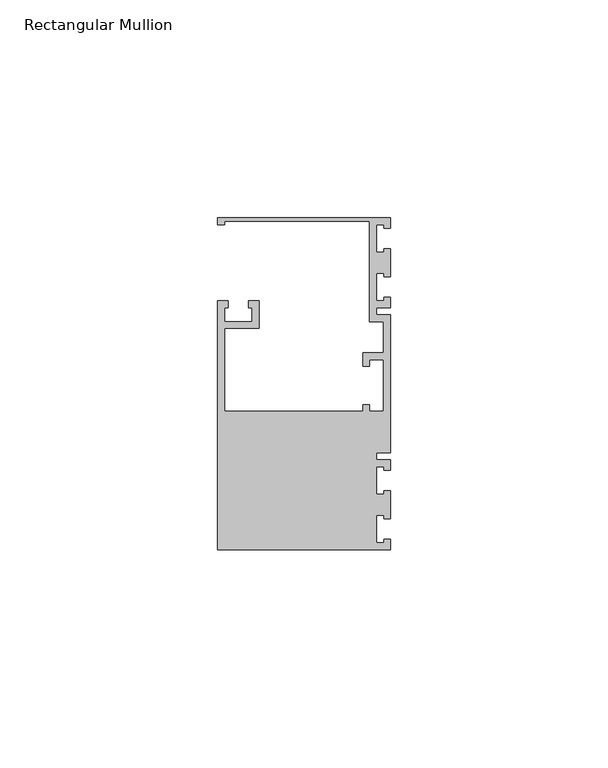
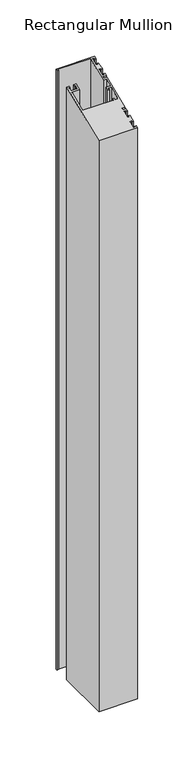
"""IFC4 building model written with IfcOpenShell, lengths in millimetres: member geometry, Rectangular Mullion."""

import ifcopenshell
import ifcopenshell.guid

model = None  # the IFC model being written
_history = None  # IfcOwnerHistory: only IFC2X3 demands one
_inside = {}  # id of a spatial element -> (the spatial element, [elements in it])
_under = {}  # id of a project, library or spatial element -> (it, [spatial elements below it])
_declared = {}  # id of a project -> (the project, [libraries it declares])
_typed = {}  # id of a type object -> (the type object, [elements of that type])
_made_of = {}  # id of a material, layer set ... -> (it, [elements and type objects made of it])


def new_model(schema):
    """Start an empty IFC model of exactly this schema.

    Asked for "IFC4X3", IfcOpenShell would pick the latest addendum, in which some entities
    have other attributes; the version numbers below select the first issue.
    IFC2X3 requires an IfcOwnerHistory on every rooted entity: one is made here for all.
    """
    global model, _history
    if schema == "IFC4X3":
        model = ifcopenshell.file(schema_version=(4, 3, 0, 0))
    else:
        model = ifcopenshell.file(schema=schema)
    _inside.clear()
    _under.clear()
    _declared.clear()
    _typed.clear()
    _made_of.clear()
    _history = None
    if model.schema == "IFC2X3":
        org = make("IfcOrganization", Name="unknown")
        user = make(
            "IfcPersonAndOrganization",
            ThePerson=make("IfcPerson", FamilyName="unknown"),
            TheOrganization=org,
        )
        app = make(
            "IfcApplication",
            ApplicationDeveloper=org,
            Version="unknown",
            ApplicationFullName="unknown",
            ApplicationIdentifier="unknown",
        )
        _history = make(
            "IfcOwnerHistory",
            OwningUser=user,
            OwningApplication=app,
            ChangeAction="ADDED",
            CreationDate=0,
        )
    return model


def make(cls, **values):
    """One entity of the class cls with the attributes given. An attribute that is None is left unset."""
    return model.create_entity(
        cls, **{name: value for name, value in values.items() if value is not None}
    )


def rooted(cls, **values):
    """An entity with a GlobalId (a new one), such as an element, a storey or a relation."""
    return make(cls, GlobalId=ifcopenshell.guid.new(), OwnerHistory=_history, **values)


def si_unit(unit_type, name, prefix=None):
    """IfcSIUnit, for example si_unit("LENGTHUNIT", "METRE", prefix="MILLI")."""
    return make("IfcSIUnit", UnitType=unit_type, Prefix=prefix, Name=name)


def assignment(units):
    """IfcUnitAssignment: the units of a project."""
    return None if units is None else make("IfcUnitAssignment", Units=units)


def point(xyz):
    """IfcCartesianPoint."""
    return None if xyz is None else make("IfcCartesianPoint", Coordinates=xyz)


def direction(xyz):
    """IfcDirection."""
    return None if xyz is None else make("IfcDirection", DirectionRatios=xyz)


def frame(location, z_axis=None, x_axis=None):
    """IfcAxis2Placement3D, a coordinate frame: its origin and axes. An axis left out is left unset."""
    return make(
        "IfcAxis2Placement3D",
        Location=point(location),
        Axis=direction(z_axis),
        RefDirection=direction(x_axis),
    )


def origin():
    """The frame at (0, 0, 0) with its axes left unset."""
    return frame((0.0, 0.0, 0.0))


def place(relative_to, where):
    """IfcLocalPlacement: puts the frame where relative to a parent placement (None: the world)."""
    return make(
        "IfcLocalPlacement", PlacementRelTo=relative_to, RelativePlacement=where
    )


def context(
    kind, dimensions, precision=None, world=None, true_north=None, identifier=None
):
    """IfcGeometricRepresentationContext, for example the 3D "Model" context."""
    return make(
        "IfcGeometricRepresentationContext",
        ContextIdentifier=identifier,
        ContextType=kind,
        CoordinateSpaceDimension=dimensions,
        Precision=precision,
        WorldCoordinateSystem=world,
        TrueNorth=true_north,
    )


def project(units=None, contexts=None):
    """IfcProject with its units and contexts."""
    return rooted(
        "IfcProject",
        Name="project",
        RepresentationContexts=contexts,
        UnitsInContext=assignment(units),
    )


def spatial(cls, under=None, at=None, **own):
    """A site, building, storey or space (cls), placed at a placement, below another one or the project."""
    s = rooted(cls, ObjectPlacement=at, **own)
    if under is not None:
        _under.setdefault(under.id(), (under, []))[1].append(s)
    return s


def faces_of(points, faces, orient=None, outer=None):
    """IfcFace entities. A face is a list of loops; a loop is a list of indices into points, from 0.

    orient and outer hold one flag for each loop. By default every Orientation is true, the
    first loop of a face is its IfcFaceOuterBound and the others are IfcFaceBound.
    """
    made = []
    for i, loops in enumerate(faces):
        bounds = []
        for j, loop in enumerate(loops):
            is_outer = j == 0 if outer is None else outer[i][j]
            bounds.append(
                make(
                    "IfcFaceOuterBound" if is_outer else "IfcFaceBound",
                    Bound=make("IfcPolyLoop", Polygon=[points[k] for k in loop]),
                    Orientation=True if orient is None else orient[i][j],
                )
            )
        made.append(make("IfcFace", Bounds=bounds))
    return made


def faceted_brep(points, faces, orient=None, outer=None, voids=None):
    """IfcFacetedBrep: a solid bounded by flat faces; with voids (closed shells), ...WithVoids."""
    shared = [point(p) for p in points]
    hull = make("IfcClosedShell", CfsFaces=faces_of(shared, faces, orient, outer))
    if voids is None:
        return make("IfcFacetedBrep", Outer=hull)
    return make(
        "IfcFacetedBrepWithVoids",
        Outer=hull,
        Voids=[
            make(cls, CfsFaces=faces_of(shared, fs, o, b)) for cls, fs, o, b in voids
        ],
    )


def shape(context_of_items, identifier, shape_type, items):
    """IfcShapeRepresentation: the items that make up one representation, for example the "Body"."""
    return make(
        "IfcShapeRepresentation",
        ContextOfItems=context_of_items,
        RepresentationIdentifier=identifier,
        RepresentationType=shape_type,
        Items=items,
    )


def source(mapping_origin, context_of_items, identifier, shape_type, items):
    """IfcRepresentationMap: a shape defined once, which mapped items show again and again."""
    return make(
        "IfcRepresentationMap",
        MappingOrigin=mapping_origin,
        MappedRepresentation=shape(context_of_items, identifier, shape_type, items),
    )


def transform(
    local_origin,
    x_axis=None,
    y_axis=None,
    z_axis=None,
    scale=None,
    scale2=None,
    scale3=None,
    uniform=True,
):
    """IfcCartesianTransformationOperator3D, or its non-uniform kind. x_axis, y_axis, z_axis: its Axis1, 2, 3."""
    if uniform:
        return make(
            "IfcCartesianTransformationOperator3D",
            Axis1=direction(x_axis),
            Axis2=direction(y_axis),
            LocalOrigin=point(local_origin),
            Scale=scale,
            Axis3=direction(z_axis),
        )
    return make(
        "IfcCartesianTransformationOperator3DnonUniform",
        Axis1=direction(x_axis),
        Axis2=direction(y_axis),
        LocalOrigin=point(local_origin),
        Scale=scale,
        Axis3=direction(z_axis),
        Scale2=scale2,
        Scale3=scale3,
    )


def mapped(mapping_source, mapping_target):
    """IfcMappedItem: shows the shape of a source again, moved by a transform."""
    return make(
        "IfcMappedItem", MappingSource=mapping_source, MappingTarget=mapping_target
    )


def made_of(thing, what):
    """Note that an element or type object is made of a material, layer set ...; save() writes the relation."""
    if what is not None:
        _made_of.setdefault(what.id(), (what, []))[1].append(thing)
    return thing


def element(
    cls,
    number,
    at=None,
    inside=None,
    cuts=None,
    type_object=None,
    material=None,
    context=None,
    identifier="Body",
    shape_type=None,
    held_by="IfcProductDefinitionShape",
    body=None,
    shapes=None,
    **own,
):
    """One element of the class cls, such as IfcWall. Its Tag is "e" and its number.

    at: its placement. inside: the storey or other place that contains it. cuts: it is an
    opening in that element (IfcRelVoidsElement). A single representation is given by context,
    identifier, shape_type and body (its items); several are given by shapes. held_by: the class
    of the entity that holds the representations. save() writes the other relations.
    """
    e = rooted(cls, Tag="e%d" % number, ObjectPlacement=at, **own)
    if body is not None:
        shapes = [shape(context, identifier, shape_type, body)]
    if shapes is not None:
        e.Representation = make(held_by, Representations=shapes)
    if inside is not None:
        _inside.setdefault(inside.id(), (inside, []))[1].append(e)
    if cuts is not None:
        rooted(
            "IfcRelVoidsElement", RelatingBuildingElement=cuts, RelatedOpeningElement=e
        )
    if type_object is not None:
        _typed.setdefault(type_object.id(), (type_object, []))[1].append(e)
    return made_of(e, material)


def aggregate(whole, parts):
    """IfcRelAggregates: a whole, such as a stair, and the parts it consists of."""
    return rooted("IfcRelAggregates", RelatingObject=whole, RelatedObjects=parts)


def save(model, path):
    """Write the relations noted so far, then the file.

    IfcRelAggregates (storeys below a building ...), IfcRelContainedInSpatialStructure (elements
    in a storey), IfcRelDefinesByType, IfcRelAssociatesMaterial and IfcRelDeclares: one each for
    every whole, place, type object, material and project.
    """
    for whole, parts in _under.values():
        aggregate(whole, parts)
    for where, things in _inside.values():
        rooted(
            "IfcRelContainedInSpatialStructure",
            RelatedElements=things,
            RelatingStructure=where,
        )
    for kind, things in _typed.values():
        rooted("IfcRelDefinesByType", RelatedObjects=things, RelatingType=kind)
    for what, things in _made_of.values():
        rooted("IfcRelAssociatesMaterial", RelatedObjects=things, RelatingMaterial=what)
    for by, libraries in _declared.values():
        rooted("IfcRelDeclares", RelatingContext=by, RelatedDefinitions=libraries)
    model.write(path)


def rectangular_mullion_91db3eeb(model_context):
    return source(origin(), model_context, "Body", "Brep", [
        faceted_brep([(0.0, 38.1, -635.0), (0.0, 35.71875, -635.0), (-1.4999946, 35.71875, -635.0), (-1.4999946, 36.5125, -635.0), (-3.175, 36.5125, -635.0), (-3.175, 30.1625, -635.0), (-1.4999946, 30.1625, -635.0), (-1.4999946, 30.95625, -635.0), (0.0, 30.95625, -635.0), (0.0, 24.60625, -635.0), (-1.4999946, 24.60625, -635.0), (-1.4999946, 25.4, -635.0), (-3.175, 25.4, -635.0), (-3.175, 19.05, -635.0), (-1.4999946, 19.05, -635.0), (-1.4999946, 19.84375, -635.0), (0.0, 19.84375, -635.0), (0.0, 17.4625, -635.0), (-3.175, 17.4625, -635.0), (-3.175, 15.875, -635.0), (0.0, 15.875, -635.0), (0.0, -15.875, -635.0), (-3.175, -15.875, -635.0), (-3.175, -17.4625, -635.0), (0.0, -17.4625, -635.0), (0.0, -19.84375, -635.0), (-1.4999946, -19.84375, -635.0), (-1.4999946, -19.05, -635.0), (-3.175, -19.05, -635.0), (-3.175, -25.4, -635.0), (-1.4999946, -25.4, -635.0), (-1.4999946, -24.60625, -635.0), (0.0, -24.60625, -635.0), (0.0, -30.95625, -635.0), (-1.4999946, -30.95625, -635.0), (-1.4999946, -30.1625, -635.0), (-3.175, -30.1625, -635.0), (-3.175, -36.5125, -635.0), (-1.4999946, -36.5125, -635.0), (-1.4999946, -35.71875, -635.0), (0.0, -35.71875, -635.0), (0.0, -38.1, -635.0), (-39.6875, -38.1, -635.0), (-39.6875, 19.05, -635.0), (-37.30625, 19.05, -635.0), (-37.30625, 17.4625, -635.0), (-38.1, 17.4625, -635.0), (-38.1, 14.2875, -635.0), (-31.75, 14.2875, -635.0), (-31.75, 17.4625, -635.0), (-32.54375, 17.4625, -635.0), (-32.54375, 19.05, -635.0), (-30.1625, 19.05, -635.0), (-30.1625, 12.7, -635.0), (-38.1, 12.7, -635.0), (-38.1, -6.35, -635.0), (-6.35, -6.35, -635.0), (-6.35, -4.7625, -635.0), (-4.7625, -4.7625, -635.0), (-4.7625, -6.35, -635.0), (-1.5875, -6.35, -635.0), (-1.5875, 5.55625, -635.0), (-4.7625, 5.55625, -635.0), (-4.7625, 3.96875, -635.0), (-6.35, 3.96875, -635.0), (-6.35, 7.14375, -635.0), (-1.5875, 7.14375, -635.0), (-1.5875, 14.2875, -635.0), (-4.7625, 14.2875, -635.0), (-4.7625, 37.30625, -635.0), (-38.1, 37.30625, -635.0), (-38.1, 36.5125, -635.0), (-39.6875, 36.5125, -635.0), (-39.6875, 38.1, -635.0), (-39.6875, 38.1, 15.7815367), (0.0, 38.1, 15.7815367), (-39.6875, 36.5125, 15.1239727), (-38.1, 36.5125, 15.1239727), (-38.1, 37.30625, 15.4527547), (-4.7625, 37.30625, 15.4527547), (-4.7625, 14.2875, 5.9180763), (-1.5875, 14.2875, 5.9180763), (-1.5875, 7.14375, 2.9590381), (-6.35, 7.14375, 2.9590381), (-6.35, 3.96875, 1.6439101), (-4.7625, 3.96875, 1.6439101), (-4.7625, 5.55625, 2.3014741), (-1.5875, 5.55625, 2.3014741), (-1.5875, -6.35, -2.6302561), (-4.7625, -6.35, -2.6302561), (-4.7625, -4.7625, -1.9726921), (-6.35, -4.7625, -1.9726921), (-6.35, -6.35, -2.6302561), (-38.1, -6.35, -2.6302561), (-38.1, 12.7, 5.2605122), (-30.1625, 12.7, 5.2605122), (-30.1625, 19.05, 7.8907684), (-32.54375, 19.05, 7.8907684), (-32.54375, 17.4625, 7.2332043), (-31.75, 17.4625, 7.2332043), (-31.75, 14.2875, 5.9180763), (-38.1, 14.2875, 5.9180763), (-38.1, 17.4625, 7.2332043), (-37.30625, 17.4625, 7.2332043), (-37.30625, 19.05, 7.8907684), (-39.6875, 19.05, 7.8907684), (-39.6875, -38.1, -15.7815367), (0.0, -38.1, -15.7815367), (0.0, -35.71875, -14.7951907), (-1.4999946, -35.71875, -14.7951907), (-1.4999946, -36.5125, -15.1239727), (-3.175, -36.5125, -15.1239727), (-3.175, -30.1625, -12.4937166), (-1.4999946, -30.1625, -12.4937166), (-1.4999946, -30.95625, -12.8224986), (0.0, -30.95625, -12.8224986), (0.0, -24.60625, -10.1922425), (-1.4999946, -24.60625, -10.1922425), (-1.4999946, -25.4, -10.5210245), (-3.175, -25.4, -10.5210245), (-3.175, -19.05, -7.8907684), (-1.4999946, -19.05, -7.8907684), (-1.4999946, -19.84375, -8.2195504), (0.0, -19.84375, -8.2195504), (0.0, -17.4625, -7.2332043), (-3.175, -17.4625, -7.2332043), (-3.175, -15.875, -6.5756403), (0.0, -15.875, -6.5756403), (0.0, 15.875, 6.5756403), (-3.175, 15.875, 6.5756403), (-3.175, 17.4625, 7.2332043), (0.0, 17.4625, 7.2332043), (0.0, 19.84375, 8.2195504), (-1.4999946, 19.84375, 8.2195504), (-1.4999946, 19.05, 7.8907684), (-3.175, 19.05, 7.8907684), (-3.175, 25.4, 10.5210245), (-1.4999946, 25.4, 10.5210245), (-1.4999946, 24.60625, 10.1922425), (0.0, 24.60625, 10.1922425), (0.0, 30.95625, 12.8224986), (-1.4999946, 30.95625, 12.8224986), (-1.4999946, 30.1625, 12.4937166), (-3.175, 30.1625, 12.4937166), (-3.175, 36.5125, 15.1239727), (-1.4999946, 36.5125, 15.1239727), (-1.4999946, 35.71875, 14.7951907), (0.0, 35.71875, 14.7951907)], [[[0, 1, 2, 3, 4, 5, 6, 7, 8, 9, 10, 11, 12, 13, 14, 15, 16, 17, 18, 19, 20, 21, 22, 23, 24, 25, 26, 27, 28, 29, 30, 31, 32, 33, 34, 35, 36, 37, 38, 39, 40, 41, 42, 43, 44, 45, 46, 47, 48, 49, 50, 51, 52, 53, 54, 55, 56, 57, 58, 59, 60, 61, 62, 63, 64, 65, 66, 67, 68, 69, 70, 71, 72, 73]], [[74, 75, 0, 73]], [[76, 74, 73, 72]], [[77, 76, 72, 71]], [[78, 77, 71, 70]], [[79, 78, 70, 69]], [[80, 79, 69, 68]], [[81, 80, 68, 67]], [[82, 81, 67, 66]], [[83, 82, 66, 65]], [[84, 83, 65, 64]], [[85, 84, 64, 63]], [[86, 85, 63, 62]], [[87, 86, 62, 61]], [[88, 87, 61, 60]], [[89, 88, 60, 59]], [[90, 89, 59, 58]], [[91, 90, 58, 57]], [[92, 91, 57, 56]], [[93, 92, 56, 55]], [[94, 93, 55, 54]], [[95, 94, 54, 53]], [[96, 95, 53, 52]], [[97, 96, 52, 51]], [[98, 97, 51, 50]], [[99, 98, 50, 49]], [[100, 99, 49, 48]], [[101, 100, 48, 47]], [[102, 101, 47, 46]], [[103, 102, 46, 45]], [[104, 103, 45, 44]], [[105, 104, 44, 43]], [[106, 105, 43, 42]], [[107, 106, 42, 41]], [[108, 107, 41, 40]], [[109, 108, 40, 39]], [[110, 109, 39, 38]], [[111, 110, 38, 37]], [[112, 111, 37, 36]], [[113, 112, 36, 35]], [[114, 113, 35, 34]], [[115, 114, 34, 33]], [[116, 115, 33, 32]], [[117, 116, 32, 31]], [[118, 117, 31, 30]], [[119, 118, 30, 29]], [[120, 119, 29, 28]], [[121, 120, 28, 27]], [[122, 121, 27, 26]], [[123, 122, 26, 25]], [[124, 123, 25, 24]], [[125, 124, 24, 23]], [[126, 125, 23, 22]], [[127, 126, 22, 21]], [[128, 127, 21, 20]], [[129, 128, 20, 19]], [[130, 129, 19, 18]], [[131, 130, 18, 17]], [[132, 131, 17, 16]], [[133, 132, 16, 15]], [[134, 133, 15, 14]], [[135, 134, 14, 13]], [[136, 135, 13, 12]], [[137, 136, 12, 11]], [[138, 137, 11, 10]], [[139, 138, 10, 9]], [[140, 139, 9, 8]], [[141, 140, 8, 7]], [[142, 141, 7, 6]], [[143, 142, 6, 5]], [[144, 143, 5, 4]], [[145, 144, 4, 3]], [[146, 145, 3, 2]], [[147, 146, 2, 1]], [[75, 147, 1, 0]], [[75, 74, 76, 77, 78, 79, 80, 81, 82, 83, 84, 85, 86, 87, 88, 89, 90, 91, 92, 93, 94, 95, 96, 97, 98, 99, 100, 101, 102, 103, 104, 105, 106, 107, 108, 109, 110, 111, 112, 113, 114, 115, 116, 117, 118, 119, 120, 121, 122, 123, 124, 125, 126, 127, 128, 129, 130, 131, 132, 133, 134, 135, 136, 137, 138, 139, 140, 141, 142, 143, 144, 145, 146, 147]]]),
    ])


if __name__ == "__main__":
    model = new_model("IFC4")
    model_context = context("Model", 3, world=origin())
    ifc_project = project(units=[si_unit("LENGTHUNIT", "METRE", prefix="MILLI")], contexts=[model_context])
    site = spatial("IfcSite", under=ifc_project)
    building = spatial("IfcBuilding", under=site)
    placement = place(None, origin())
    rectangular_mullion_shape = rectangular_mullion_91db3eeb(model_context)
    element("IfcMember", 1, ObjectType="Rectangular Mullion", at=placement, inside=building, context=model_context, shape_type="MappedRepresentation", body=[
        mapped(rectangular_mullion_shape, transform((0.0, 0.0, 0.0), x_axis=(1.0, 0.0, 0.0), y_axis=(0.0, 1.0, 0.0), z_axis=(0.0, 0.0, 1.0))),
    ])
    save(model, "model.ifc")
